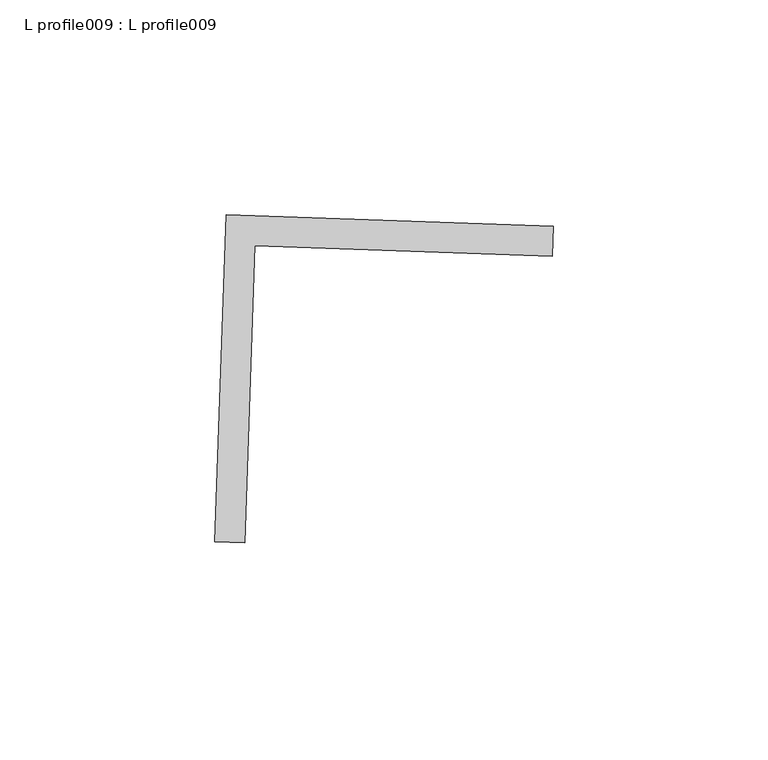
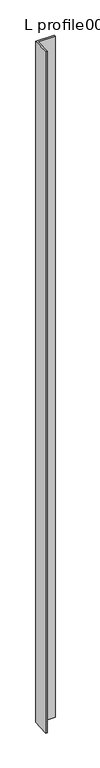
"""IFC4 building model written with IfcOpenShell, lengths in millimetres: proxy geometry, L profile009 : L profile009."""

from ifc_helpers import new_model, si_unit, frame, origin, place, context, project, spatial, polyline, outline, extrude, source, transform, mapped, element, save


def l_profile009_l_profile009_182dcb93(model_context):
    return source(origin(), model_context, "Body", "SweptSolid", [
        extrude(outline(polyline([(18021.2526252, -14604.1256167), (18097.4056112, -14606.8019424), (18097.1617953, -14613.7395539), (18027.9464208, -14611.307044), (18025.5139109, -14680.5224186), (18018.5762994, -14680.2786027), (18021.2526252, -14604.1256167)])), frame((0.0, 0.0, 73.975708), z_axis=(0.0, 0.0, 1.0), x_axis=(1.0, 0.0, 0.0)), (0.0, 0.0, 1.0), 2959.106901),
    ])


if __name__ == "__main__":
    model = new_model("IFC4")
    model_context = context("Model", 3, world=origin())
    ifc_project = project(units=[si_unit("LENGTHUNIT", "METRE", prefix="MILLI")], contexts=[model_context])
    site = spatial("IfcSite", under=ifc_project)
    building = spatial("IfcBuilding", under=site)
    placement = place(None, origin())
    l_profile009_l_profile009_shape = l_profile009_l_profile009_182dcb93(model_context)
    element("IfcBuildingElementProxy", 1, Name="L profile009 : L profile009", ObjectType="L profile009 : L profile009", at=placement, inside=building, context=model_context, shape_type="MappedRepresentation", body=[
        mapped(l_profile009_l_profile009_shape, transform((0.0, 0.0, 0.0), x_axis=(1.0, 0.0, 0.0), y_axis=(0.0, 1.0, 0.0), z_axis=(0.0, 0.0, 1.0))),
    ])
    save(model, "model.ifc")
